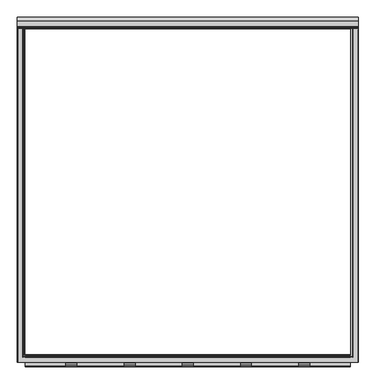
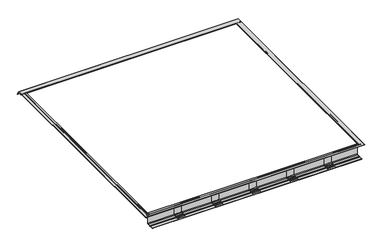
"""IFC4 building model written with IfcOpenShell, lengths in millimetres: fastener geometry."""

from ifc_helpers import new_model, si_unit, point, frame, frame_2d, origin, place, context, project, spatial, polyline, circle_curve, ellipse_curve, trimmed, segment, composite_curve, outline, extrude, source, transform, mapped, element, save
from ifc_brep_helpers import plane_surface, cylinder_surface, revolved_surface, advanced_brep


def fastener_39294c76(model_context):
    return source(origin(), model_context, "Body", "SolidModel", [
        extrude(outline(composite_curve([segment(trimmed(circle_curve(frame_2d((-1145.5700599, -129.2836108)), 7.5509517), [point((-1138.0191082, -129.2836108))], [point((-1145.5700599, -136.8345625))], False, "CARTESIAN"), True, "CONTINUOUS"), segment(polyline([(-1145.5700599, -136.8345625), (-1177.5500422, -136.8345625)]), True, "CONTINUOUS"), segment(trimmed(circle_curve(frame_2d((-1177.2863618, -135.7784961)), 1.0884868), [point((-1177.5500422, -136.8345625))], [point((-1178.0560382, -135.0088197))], False, "CARTESIAN"), True, "CONTINUOUS"), segment(polyline([(-1178.0560382, -135.0088197), (-1176.7465916, -133.6993731)]), True, "CONTINUOUS"), segment(trimmed(circle_curve(frame_2d((-1177.516268, -132.9296966)), 1.0884868), [point((-1176.7465916, -133.6993731))], [point((-1176.911598, -132.0246122))], True, "CARTESIAN"), True, "CONTINUOUS"), segment(polyline([(-1176.911598, -132.0246122), (-1186.4250513, -132.0246122)]), True, "CONTINUOUS"), segment(trimmed(circle_curve(frame_2d((-1185.8203813, -132.9296966)), 1.0884868), [point((-1186.4250513, -132.0246122))], [point((-1186.5900578, -133.6993731))], True, "CARTESIAN"), True, "CONTINUOUS"), segment(polyline([(-1186.5900578, -133.6993731), (-1185.2806111, -135.0088197)]), True, "CONTINUOUS"), segment(trimmed(circle_curve(frame_2d((-1186.0502876, -135.7784961)), 1.0884868), [point((-1185.2806111, -135.0088197))], [point((-1185.7866071, -136.8345625))], False, "CARTESIAN"), True, "CONTINUOUS"), segment(polyline([(-1185.7866071, -136.8345625), (-1219.2, -136.8345625)]), True, "CONTINUOUS"), segment(trimmed(circle_curve(frame_2d((-1211.6858077, -136.1021667)), 7.5498006), [point((-1219.2, -136.8345625))], [point((-1211.6858077, -128.5523661))], False, "CARTESIAN"), True, "CONTINUOUS"), segment(polyline([(-1211.6858077, -128.5523661), (-1195.9627839, -128.5523661)]), True, "CONTINUOUS"), segment(trimmed(circle_curve(frame_2d((-1195.8562589, -124.5759938)), 3.977799), [point((-1195.9627839, -128.5523661))], [point((-1193.0435303, -127.3887224))], True, "CARTESIAN"), True, "CONTINUOUS"), segment(polyline([(-1193.0435303, -127.3887224), (-1190.9210407, -125.2662329)]), True, "CONTINUOUS"), segment(trimmed(circle_curve(frame_2d((-1188.1083121, -128.0789615)), 3.977799), [point((-1190.9210407, -125.2662329))], [point((-1188.0183247, -124.1021806))], False, "CARTESIAN"), True, "CONTINUOUS"), segment(polyline([(-1188.0183247, -124.1021806), (-1175.3183247, -124.1021806)]), True, "CONTINUOUS"), segment(trimmed(circle_curve(frame_2d((-1175.2283372, -128.0789615)), 3.977799), [point((-1175.3183247, -124.1021806))], [point((-1172.4156086, -125.2662329))], False, "CARTESIAN"), True, "CONTINUOUS"), segment(polyline([(-1172.4156086, -125.2662329), (-1170.2931191, -127.3887224)]), True, "CONTINUOUS"), segment(trimmed(circle_curve(frame_2d((-1167.4803904, -124.5759938)), 3.977799), [point((-1170.2931191, -127.3887224))], [point((-1167.3738655, -128.5523661))], True, "CARTESIAN"), True, "CONTINUOUS"), segment(polyline([(-1167.3738655, -128.5523661), (-1150.9842926, -128.5523661)]), True, "CONTINUOUS"), segment(trimmed(circle_curve(frame_2d((-1150.2040874, -122.7697836)), 5.8349791), [point((-1150.9842926, -128.5523661))], [point((-1144.3691082, -122.7697836))], True, "CARTESIAN"), True, "CONTINUOUS"), segment(polyline([(-1144.3691082, -122.7697836), (-1144.3691082, -38.7961108), (-1138.0191082, -38.7961108), (-1138.0191082, -129.2836108)]), True, "CONTINUOUS")], self_intersect=False)), frame((774.7, 0.0, 0.0), z_axis=(1.0, 0.0, 0.0), x_axis=(0.0, 1.0, 0.0)), (0.0, 0.0, 1.0), 76.2),
        extrude(outline(composite_curve([segment(trimmed(circle_curve(frame_2d((-1145.5700599, -129.2836108)), 7.5509517), [point((-1138.0191082, -129.2836108))], [point((-1145.5700599, -136.8345625))], False, "CARTESIAN"), True, "CONTINUOUS"), segment(polyline([(-1145.5700599, -136.8345625), (-1177.5500422, -136.8345625)]), True, "CONTINUOUS"), segment(trimmed(circle_curve(frame_2d((-1177.2863618, -135.7784961)), 1.0884868), [point((-1177.5500422, -136.8345625))], [point((-1178.0560382, -135.0088197))], False, "CARTESIAN"), True, "CONTINUOUS"), segment(polyline([(-1178.0560382, -135.0088197), (-1176.7465916, -133.6993731)]), True, "CONTINUOUS"), segment(trimmed(circle_curve(frame_2d((-1177.516268, -132.9296966)), 1.0884868), [point((-1176.7465916, -133.6993731))], [point((-1176.911598, -132.0246122))], True, "CARTESIAN"), True, "CONTINUOUS"), segment(polyline([(-1176.911598, -132.0246122), (-1186.4250513, -132.0246122)]), True, "CONTINUOUS"), segment(trimmed(circle_curve(frame_2d((-1185.8203813, -132.9296966)), 1.0884868), [point((-1186.4250513, -132.0246122))], [point((-1186.5900578, -133.6993731))], True, "CARTESIAN"), True, "CONTINUOUS"), segment(polyline([(-1186.5900578, -133.6993731), (-1185.2806111, -135.0088197)]), True, "CONTINUOUS"), segment(trimmed(circle_curve(frame_2d((-1186.0502876, -135.7784961)), 1.0884868), [point((-1185.2806111, -135.0088197))], [point((-1185.7866071, -136.8345625))], False, "CARTESIAN"), True, "CONTINUOUS"), segment(polyline([(-1185.7866071, -136.8345625), (-1219.2, -136.8345625)]), True, "CONTINUOUS"), segment(trimmed(circle_curve(frame_2d((-1211.6858077, -136.1021667)), 7.5498006), [point((-1219.2, -136.8345625))], [point((-1211.6858077, -128.5523661))], False, "CARTESIAN"), True, "CONTINUOUS"), segment(polyline([(-1211.6858077, -128.5523661), (-1195.9627839, -128.5523661)]), True, "CONTINUOUS"), segment(trimmed(circle_curve(frame_2d((-1195.8562589, -124.5759938)), 3.977799), [point((-1195.9627839, -128.5523661))], [point((-1193.0435303, -127.3887224))], True, "CARTESIAN"), True, "CONTINUOUS"), segment(polyline([(-1193.0435303, -127.3887224), (-1190.9210407, -125.2662329)]), True, "CONTINUOUS"), segment(trimmed(circle_curve(frame_2d((-1188.1083121, -128.0789615)), 3.977799), [point((-1190.9210407, -125.2662329))], [point((-1188.0183247, -124.1021806))], False, "CARTESIAN"), True, "CONTINUOUS"), segment(polyline([(-1188.0183247, -124.1021806), (-1175.3183247, -124.1021806)]), True, "CONTINUOUS"), segment(trimmed(circle_curve(frame_2d((-1175.2283372, -128.0789615)), 3.977799), [point((-1175.3183247, -124.1021806))], [point((-1172.4156086, -125.2662329))], False, "CARTESIAN"), True, "CONTINUOUS"), segment(polyline([(-1172.4156086, -125.2662329), (-1170.2931191, -127.3887224)]), True, "CONTINUOUS"), segment(trimmed(circle_curve(frame_2d((-1167.4803904, -124.5759938)), 3.977799), [point((-1170.2931191, -127.3887224))], [point((-1167.3738655, -128.5523661))], True, "CARTESIAN"), True, "CONTINUOUS"), segment(polyline([(-1167.3738655, -128.5523661), (-1150.9842926, -128.5523661)]), True, "CONTINUOUS"), segment(trimmed(circle_curve(frame_2d((-1150.2040874, -122.7697836)), 5.8349791), [point((-1150.9842926, -128.5523661))], [point((-1144.3691082, -122.7697836))], True, "CARTESIAN"), True, "CONTINUOUS"), segment(polyline([(-1144.3691082, -122.7697836), (-1144.3691082, -38.7961108), (-1138.0191082, -38.7961108), (-1138.0191082, -129.2836108)]), True, "CONTINUOUS")], self_intersect=False)), frame((-850.9, 0.0, 0.0), z_axis=(1.0, 0.0, 0.0), x_axis=(0.0, 1.0, 0.0)), (0.0, 0.0, 1.0), 76.2),
        extrude(outline(composite_curve([segment(trimmed(circle_curve(frame_2d((-1145.5700599, -129.2836108)), 7.5509517), [point((-1138.0191082, -129.2836108))], [point((-1145.5700599, -136.8345625))], False, "CARTESIAN"), True, "CONTINUOUS"), segment(polyline([(-1145.5700599, -136.8345625), (-1177.5500422, -136.8345625)]), True, "CONTINUOUS"), segment(trimmed(circle_curve(frame_2d((-1177.2863618, -135.7784961)), 1.0884868), [point((-1177.5500422, -136.8345625))], [point((-1178.0560382, -135.0088197))], False, "CARTESIAN"), True, "CONTINUOUS"), segment(polyline([(-1178.0560382, -135.0088197), (-1176.7465916, -133.6993731)]), True, "CONTINUOUS"), segment(trimmed(circle_curve(frame_2d((-1177.516268, -132.9296966)), 1.0884868), [point((-1176.7465916, -133.6993731))], [point((-1176.911598, -132.0246122))], True, "CARTESIAN"), True, "CONTINUOUS"), segment(polyline([(-1176.911598, -132.0246122), (-1186.4250513, -132.0246122)]), True, "CONTINUOUS"), segment(trimmed(circle_curve(frame_2d((-1185.8203813, -132.9296966)), 1.0884868), [point((-1186.4250513, -132.0246122))], [point((-1186.5900578, -133.6993731))], True, "CARTESIAN"), True, "CONTINUOUS"), segment(polyline([(-1186.5900578, -133.6993731), (-1185.2806111, -135.0088197)]), True, "CONTINUOUS"), segment(trimmed(circle_curve(frame_2d((-1186.0502876, -135.7784961)), 1.0884868), [point((-1185.2806111, -135.0088197))], [point((-1185.7866071, -136.8345625))], False, "CARTESIAN"), True, "CONTINUOUS"), segment(polyline([(-1185.7866071, -136.8345625), (-1219.2, -136.8345625)]), True, "CONTINUOUS"), segment(trimmed(circle_curve(frame_2d((-1211.6858077, -136.1021667)), 7.5498006), [point((-1219.2, -136.8345625))], [point((-1211.6858077, -128.5523661))], False, "CARTESIAN"), True, "CONTINUOUS"), segment(polyline([(-1211.6858077, -128.5523661), (-1195.9627839, -128.5523661)]), True, "CONTINUOUS"), segment(trimmed(circle_curve(frame_2d((-1195.8562589, -124.5759938)), 3.977799), [point((-1195.9627839, -128.5523661))], [point((-1193.0435303, -127.3887224))], True, "CARTESIAN"), True, "CONTINUOUS"), segment(polyline([(-1193.0435303, -127.3887224), (-1190.9210407, -125.2662329)]), True, "CONTINUOUS"), segment(trimmed(circle_curve(frame_2d((-1188.1083121, -128.0789615)), 3.977799), [point((-1190.9210407, -125.2662329))], [point((-1188.0183247, -124.1021806))], False, "CARTESIAN"), True, "CONTINUOUS"), segment(polyline([(-1188.0183247, -124.1021806), (-1175.3183247, -124.1021806)]), True, "CONTINUOUS"), segment(trimmed(circle_curve(frame_2d((-1175.2283372, -128.0789615)), 3.977799), [point((-1175.3183247, -124.1021806))], [point((-1172.4156086, -125.2662329))], False, "CARTESIAN"), True, "CONTINUOUS"), segment(polyline([(-1172.4156086, -125.2662329), (-1170.2931191, -127.3887224)]), True, "CONTINUOUS"), segment(trimmed(circle_curve(frame_2d((-1167.4803904, -124.5759938)), 3.977799), [point((-1170.2931191, -127.3887224))], [point((-1167.3738655, -128.5523661))], True, "CARTESIAN"), True, "CONTINUOUS"), segment(polyline([(-1167.3738655, -128.5523661), (-1150.9842926, -128.5523661)]), True, "CONTINUOUS"), segment(trimmed(circle_curve(frame_2d((-1150.2040874, -122.7697836)), 5.8349791), [point((-1150.9842926, -128.5523661))], [point((-1144.3691082, -122.7697836))], True, "CARTESIAN"), True, "CONTINUOUS"), segment(polyline([(-1144.3691082, -122.7697836), (-1144.3691082, -38.7961108), (-1138.0191082, -38.7961108), (-1138.0191082, -129.2836108)]), True, "CONTINUOUS")], self_intersect=False)), frame((-444.5, 0.0, 0.0), z_axis=(1.0, 0.0, 0.0), x_axis=(0.0, 1.0, 0.0)), (0.0, 0.0, 1.0), 76.2),
        extrude(outline(composite_curve([segment(trimmed(circle_curve(frame_2d((-1145.5700599, -129.2836108)), 7.5509517), [point((-1138.0191082, -129.2836108))], [point((-1145.5700599, -136.8345625))], False, "CARTESIAN"), True, "CONTINUOUS"), segment(polyline([(-1145.5700599, -136.8345625), (-1177.5500422, -136.8345625)]), True, "CONTINUOUS"), segment(trimmed(circle_curve(frame_2d((-1177.2863618, -135.7784961)), 1.0884868), [point((-1177.5500422, -136.8345625))], [point((-1178.0560382, -135.0088197))], False, "CARTESIAN"), True, "CONTINUOUS"), segment(polyline([(-1178.0560382, -135.0088197), (-1176.7465916, -133.6993731)]), True, "CONTINUOUS"), segment(trimmed(circle_curve(frame_2d((-1177.516268, -132.9296966)), 1.0884868), [point((-1176.7465916, -133.6993731))], [point((-1176.911598, -132.0246122))], True, "CARTESIAN"), True, "CONTINUOUS"), segment(polyline([(-1176.911598, -132.0246122), (-1186.4250513, -132.0246122)]), True, "CONTINUOUS"), segment(trimmed(circle_curve(frame_2d((-1185.8203813, -132.9296966)), 1.0884868), [point((-1186.4250513, -132.0246122))], [point((-1186.5900578, -133.6993731))], True, "CARTESIAN"), True, "CONTINUOUS"), segment(polyline([(-1186.5900578, -133.6993731), (-1185.2806111, -135.0088197)]), True, "CONTINUOUS"), segment(trimmed(circle_curve(frame_2d((-1186.0502876, -135.7784961)), 1.0884868), [point((-1185.2806111, -135.0088197))], [point((-1185.7866071, -136.8345625))], False, "CARTESIAN"), True, "CONTINUOUS"), segment(polyline([(-1185.7866071, -136.8345625), (-1219.2, -136.8345625)]), True, "CONTINUOUS"), segment(trimmed(circle_curve(frame_2d((-1211.6858077, -136.1021667)), 7.5498006), [point((-1219.2, -136.8345625))], [point((-1211.6858077, -128.5523661))], False, "CARTESIAN"), True, "CONTINUOUS"), segment(polyline([(-1211.6858077, -128.5523661), (-1195.9627839, -128.5523661)]), True, "CONTINUOUS"), segment(trimmed(circle_curve(frame_2d((-1195.8562589, -124.5759938)), 3.977799), [point((-1195.9627839, -128.5523661))], [point((-1193.0435303, -127.3887224))], True, "CARTESIAN"), True, "CONTINUOUS"), segment(polyline([(-1193.0435303, -127.3887224), (-1190.9210407, -125.2662329)]), True, "CONTINUOUS"), segment(trimmed(circle_curve(frame_2d((-1188.1083121, -128.0789615)), 3.977799), [point((-1190.9210407, -125.2662329))], [point((-1188.0183247, -124.1021806))], False, "CARTESIAN"), True, "CONTINUOUS"), segment(polyline([(-1188.0183247, -124.1021806), (-1175.3183247, -124.1021806)]), True, "CONTINUOUS"), segment(trimmed(circle_curve(frame_2d((-1175.2283372, -128.0789615)), 3.977799), [point((-1175.3183247, -124.1021806))], [point((-1172.4156086, -125.2662329))], False, "CARTESIAN"), True, "CONTINUOUS"), segment(polyline([(-1172.4156086, -125.2662329), (-1170.2931191, -127.3887224)]), True, "CONTINUOUS"), segment(trimmed(circle_curve(frame_2d((-1167.4803904, -124.5759938)), 3.977799), [point((-1170.2931191, -127.3887224))], [point((-1167.3738655, -128.5523661))], True, "CARTESIAN"), True, "CONTINUOUS"), segment(polyline([(-1167.3738655, -128.5523661), (-1150.9842926, -128.5523661)]), True, "CONTINUOUS"), segment(trimmed(circle_curve(frame_2d((-1150.2040874, -122.7697836)), 5.8349791), [point((-1150.9842926, -128.5523661))], [point((-1144.3691082, -122.7697836))], True, "CARTESIAN"), True, "CONTINUOUS"), segment(polyline([(-1144.3691082, -122.7697836), (-1144.3691082, -38.7961108), (-1138.0191082, -38.7961108), (-1138.0191082, -129.2836108)]), True, "CONTINUOUS")], self_intersect=False)), frame((368.3, 0.0, 0.0), z_axis=(1.0, 0.0, 0.0), x_axis=(0.0, 1.0, 0.0)), (0.0, 0.0, 1.0), 76.2),
        extrude(outline(composite_curve([segment(trimmed(circle_curve(frame_2d((-1145.5700599, -129.2836108)), 7.5509517), [point((-1138.0191082, -129.2836108))], [point((-1145.5700599, -136.8345625))], False, "CARTESIAN"), True, "CONTINUOUS"), segment(polyline([(-1145.5700599, -136.8345625), (-1177.5500422, -136.8345625)]), True, "CONTINUOUS"), segment(trimmed(circle_curve(frame_2d((-1177.2863618, -135.7784961)), 1.0884868), [point((-1177.5500422, -136.8345625))], [point((-1178.0560382, -135.0088197))], False, "CARTESIAN"), True, "CONTINUOUS"), segment(polyline([(-1178.0560382, -135.0088197), (-1176.7465916, -133.6993731)]), True, "CONTINUOUS"), segment(trimmed(circle_curve(frame_2d((-1177.516268, -132.9296966)), 1.0884868), [point((-1176.7465916, -133.6993731))], [point((-1176.911598, -132.0246122))], True, "CARTESIAN"), True, "CONTINUOUS"), segment(polyline([(-1176.911598, -132.0246122), (-1186.4250513, -132.0246122)]), True, "CONTINUOUS"), segment(trimmed(circle_curve(frame_2d((-1185.8203813, -132.9296966)), 1.0884868), [point((-1186.4250513, -132.0246122))], [point((-1186.5900578, -133.6993731))], True, "CARTESIAN"), True, "CONTINUOUS"), segment(polyline([(-1186.5900578, -133.6993731), (-1185.2806111, -135.0088197)]), True, "CONTINUOUS"), segment(trimmed(circle_curve(frame_2d((-1186.0502876, -135.7784961)), 1.0884868), [point((-1185.2806111, -135.0088197))], [point((-1185.7866071, -136.8345625))], False, "CARTESIAN"), True, "CONTINUOUS"), segment(polyline([(-1185.7866071, -136.8345625), (-1219.2, -136.8345625)]), True, "CONTINUOUS"), segment(trimmed(circle_curve(frame_2d((-1211.6858077, -136.1021667)), 7.5498006), [point((-1219.2, -136.8345625))], [point((-1211.6858077, -128.5523661))], False, "CARTESIAN"), True, "CONTINUOUS"), segment(polyline([(-1211.6858077, -128.5523661), (-1195.9627839, -128.5523661)]), True, "CONTINUOUS"), segment(trimmed(circle_curve(frame_2d((-1195.8562589, -124.5759938)), 3.977799), [point((-1195.9627839, -128.5523661))], [point((-1193.0435303, -127.3887224))], True, "CARTESIAN"), True, "CONTINUOUS"), segment(polyline([(-1193.0435303, -127.3887224), (-1190.9210407, -125.2662329)]), True, "CONTINUOUS"), segment(trimmed(circle_curve(frame_2d((-1188.1083121, -128.0789615)), 3.977799), [point((-1190.9210407, -125.2662329))], [point((-1188.0183247, -124.1021806))], False, "CARTESIAN"), True, "CONTINUOUS"), segment(polyline([(-1188.0183247, -124.1021806), (-1175.3183247, -124.1021806)]), True, "CONTINUOUS"), segment(trimmed(circle_curve(frame_2d((-1175.2283372, -128.0789615)), 3.977799), [point((-1175.3183247, -124.1021806))], [point((-1172.4156086, -125.2662329))], False, "CARTESIAN"), True, "CONTINUOUS"), segment(polyline([(-1172.4156086, -125.2662329), (-1170.2931191, -127.3887224)]), True, "CONTINUOUS"), segment(trimmed(circle_curve(frame_2d((-1167.4803904, -124.5759938)), 3.977799), [point((-1170.2931191, -127.3887224))], [point((-1167.3738655, -128.5523661))], True, "CARTESIAN"), True, "CONTINUOUS"), segment(polyline([(-1167.3738655, -128.5523661), (-1150.9842926, -128.5523661)]), True, "CONTINUOUS"), segment(trimmed(circle_curve(frame_2d((-1150.2040874, -122.7697836)), 5.8349791), [point((-1150.9842926, -128.5523661))], [point((-1144.3691082, -122.7697836))], True, "CARTESIAN"), True, "CONTINUOUS"), segment(polyline([(-1144.3691082, -122.7697836), (-1144.3691082, -38.7961108), (-1138.0191082, -38.7961108), (-1138.0191082, -129.2836108)]), True, "CONTINUOUS")], self_intersect=False)), frame((-38.1, 0.0, 0.0), z_axis=(1.0, 0.0, 0.0), x_axis=(0.0, 1.0, 0.0)), (0.0, 0.0, 1.0), 76.2),
        extrude(outline(composite_curve([segment(polyline([(-1135.3165, -15.1804688), (-1135.3165, -139.5015625), (-1217.8665, -139.5015625)]), True, "CONTINUOUS"), segment(trimmed(circle_curve(frame_2d((-1217.8665, -138.1680625)), 1.3335), [point((-1217.8665, -139.5015625))], [point((-1217.8665, -136.8345625))], False, "CARTESIAN"), True, "CONTINUOUS"), segment(polyline([(-1217.8665, -136.8345625), (-1185.7509989, -136.8345625)]), True, "CONTINUOUS"), segment(trimmed(circle_curve(frame_2d((-1186.0146793, -135.7784961)), 1.0884868), [point((-1185.7509989, -136.8345625))], [point((-1185.2450029, -135.0088197))], True, "CARTESIAN"), True, "CONTINUOUS"), segment(polyline([(-1185.2450029, -135.0088197), (-1186.5544495, -133.6993731)]), True, "CONTINUOUS"), segment(trimmed(circle_curve(frame_2d((-1185.7847731, -132.9296966)), 1.0884868), [point((-1186.5544495, -133.6993731))], [point((-1186.389443, -132.0246122))], False, "CARTESIAN"), True, "CONTINUOUS"), segment(polyline([(-1186.389443, -132.0246122), (-1176.8759898, -132.0246122)]), True, "CONTINUOUS"), segment(trimmed(circle_curve(frame_2d((-1177.4806597, -132.9296966)), 1.0884868), [point((-1176.8759898, -132.0246122))], [point((-1176.7109833, -133.6993731))], False, "CARTESIAN"), True, "CONTINUOUS"), segment(polyline([(-1176.7109833, -133.6993731), (-1178.0204299, -135.0088197)]), True, "CONTINUOUS"), segment(trimmed(circle_curve(frame_2d((-1177.2507535, -135.7784961)), 1.0884868), [point((-1178.0204299, -135.0088197))], [point((-1177.5144339, -136.8345625))], True, "CARTESIAN"), True, "CONTINUOUS"), segment(polyline([(-1177.5144339, -136.8345625), (-1145.5344517, -136.8345625)]), True, "CONTINUOUS"), segment(trimmed(circle_curve(frame_2d((-1145.5344517, -129.2836108)), 7.5509517), [point((-1145.5344517, -136.8345625))], [point((-1137.9835, -129.2836108))], True, "CARTESIAN"), True, "CONTINUOUS"), segment(polyline([(-1137.9835, -129.2836108), (-1137.9835, -21.87801), (-1156.2117258, -21.87801), (-1156.2117258, -15.1804688), (-1152.1178999, -15.1804688)]), True, "CONTINUOUS"), segment(trimmed(circle_curve(frame_2d((-1152.8274757, -16.2725079)), 1.3023238), [point((-1152.1178999, -15.1804688))], [point((-1151.9131963, -17.1999455))], False, "CARTESIAN"), True, "CONTINUOUS"), segment(polyline([(-1151.9131963, -17.1999455), (-1152.9649499, -18.2679836)]), True, "CONTINUOUS"), segment(trimmed(circle_curve(frame_2d((-1152.5091166, -18.6293281)), 0.5816819), [point((-1152.9649499, -18.2679836))], [point((-1152.5091166, -19.21101))], True, "CARTESIAN"), True, "CONTINUOUS"), segment(polyline([(-1152.5091166, -19.21101), (-1140.8594568, -19.21101)]), True, "CONTINUOUS"), segment(trimmed(circle_curve(frame_2d((-1140.8594568, -18.6130003)), 0.5980097), [point((-1140.8594568, -19.21101))], [point((-1140.3710112, -18.2679836))], True, "CARTESIAN"), True, "CONTINUOUS"), segment(polyline([(-1140.3710112, -18.2679836), (-1141.460117, -17.1999455)]), True, "CONTINUOUS"), segment(trimmed(circle_curve(frame_2d((-1140.5022273, -16.284676)), 1.3248664), [point((-1141.460117, -17.1999455))], [point((-1141.2343456, -15.1804688))], False, "CARTESIAN"), True, "CONTINUOUS"), segment(polyline([(-1141.2343456, -15.1804688), (-1135.3165, -15.1804688)]), True, "CONTINUOUS")], self_intersect=False)), frame((-1135.3165, 0.0, 0.0), z_axis=(1.0, 0.0, 0.0), x_axis=(0.0, 1.0, 0.0)), (0.0, 0.0, 1.0), 2270.633),
        advanced_brep(
        [(-1189.1053092, 1141.2343456, -15.1685625), (-1189.1053092, 1135.3165, -15.1685625), (-1189.1053092, 1135.3165, -13.8350625), (-1189.1053092, 1135.3165, -12.5015625), (-1189.1053092, 1190.6451024, -12.5015625), (-1189.1053092, 1217.7515464, -59.4513008), (-1189.1053092, 1215.4418567, -60.7848008), (-1189.1053092, 1189.1053092, -15.1685625), (-1189.1053092, 1161.8308783, -15.1685625), (-1189.1053092, 1159.573508, -17.4259327), (-1189.1053092, 1159.573508, -26.7633474), (-1189.1053092, 1149.6719492, -26.7633474), (-1189.1053092, 1149.6719492, -24.7662067), (-1189.1053092, 1150.5032605, -24.7662067), (-1189.1053092, 1151.5117177, -23.7577495), (-1189.1053092, 1151.5117177, -21.8661038), (-1189.1053092, 1156.2117258, -21.8661038), (-1189.1053092, 1156.2117258, -15.1685625), (-1189.1053092, 1152.1178999, -15.1685625), (-1189.1053092, 1151.9131963, -17.2095918), (-1189.1053092, 1152.9812344, -18.2776299), (-1189.1053092, 1152.5091166, -19.1991038), (-1189.1053092, 1140.8431289, -19.1991038), (-1189.1053092, 1140.3710112, -18.2776299), (-1189.1053092, 1141.4390493, -17.2095918), (1189.1053092, 1141.2343456, -15.1685625), (1189.1053092, 1141.4390493, -17.2095918), (1189.1053092, 1140.3710112, -18.2776299), (1189.1053092, 1140.8431289, -19.1991038), (1189.1053092, 1152.5091166, -19.1991038), (1189.1053092, 1152.9812344, -18.2776299), (1189.1053092, 1151.9131963, -17.2095918), (1189.1053092, 1152.1178999, -15.1685625), (1189.1053092, 1156.2117258, -15.1685625), (1189.1053092, 1156.2117258, -21.8661038), (1189.1053092, 1151.5117177, -21.8661038), (1189.1053092, 1151.5117177, -23.7577495), (1189.1053092, 1150.5032605, -24.7662067), (1189.1053092, 1149.6719492, -24.7662067), (1189.1053092, 1149.6719492, -26.7633474), (1189.1053092, 1159.573508, -26.7633474), (1189.1053092, 1159.573508, -17.4259327), (1189.1053092, 1161.8308783, -15.1685625), (1189.1053092, 1189.1053092, -15.1685625), (1189.1053092, 1215.4418567, -60.7848008), (1189.1053092, 1217.7515464, -59.4513008), (1189.1053092, 1190.6451024, -12.5015625), (1189.1053092, 1135.3165, -12.5015625), (1189.1053092, 1135.3165, -13.8350625), (1189.1053092, 1135.3165, -15.1685625), (1187.7718092, 1135.3165, -15.1685625), (1187.7718092, -1187.7718092, -15.1685625), (-1187.7718092, -1187.7718092, -15.1685625), (-1187.7718092, 1135.3165, -15.1685625), (1135.3165, 1135.3165, -15.1685625), (-1135.3165, 1135.3165, -15.1685625), (-1135.3165, -1135.3165, -15.1685625), (1135.3165, -1135.3165, -15.1685625), (-1141.2160631, 1135.3165, -15.1685625), (-1152.1361825, 1135.3165, -15.1685625), (-1152.1361825, -1152.1361825, -15.1685625), (1152.1361825, -1152.1361825, -15.1685625), (1152.1361825, 1135.3165, -15.1685625), (1141.2160631, 1135.3165, -15.1685625), (1141.2160631, -1141.2160631, -15.1685625), (-1141.2160631, -1141.2160631, -15.1685625), (-1156.2117258, 1135.3165, -15.1685625), (-1161.8308783, 1135.3165, -15.1685625), (-1161.8308783, -1161.8308783, -15.1685625), (1161.8308783, -1161.8308783, -15.1685625), (1161.8308783, 1135.3165, -15.1685625), (1156.2117258, 1135.3165, -15.1685625), (1156.2117258, -1156.2117258, -15.1685625), (-1156.2117258, -1156.2117258, -15.1685625), (-1187.7718092, 1135.3165, -12.5015625), (1187.7718092, 1135.3165, -12.5015625), (1135.3165, 1135.3165, -12.5015625), (-1135.3165, 1135.3165, -12.5015625), (-1187.7718092, -1187.7718092, -12.5015625), (1187.7718092, -1187.7718092, -12.5015625), (1135.3165, -1135.3165, -12.5015625), (-1135.3165, -1135.3165, -12.5015625), (-1141.4390493, 1135.3165, -17.221498), (-1140.3710112, 1135.3165, -18.2895361), (-1140.8431289, 1135.3165, -19.21101), (-1152.5091166, 1135.3165, -19.21101), (-1152.9812344, 1135.3165, -18.2895361), (-1151.9131963, 1135.3165, -17.221498), (-1156.2117258, 1135.3165, -21.87801), (-1151.5117177, 1135.3165, -21.87801), (-1151.5117177, 1135.3165, -23.7696558), (-1150.5032605, 1135.3165, -24.7781129), (-1149.6719492, 1135.3165, -24.7781129), (-1149.6719492, 1135.3165, -26.7633474), (-1159.573508, 1135.3165, -26.7633474), (-1159.573508, 1135.3165, -17.4259327), (-1141.4390493, -1141.4390493, -17.221498), (-1140.3710112, -1140.3710112, -18.2895361), (-1140.8431289, -1140.8431289, -19.21101), (1140.8431289, -1140.8431289, -19.21101), (1140.8431289, 1135.3165, -19.21101), (1152.5091166, 1135.3165, -19.21101), (1152.5091166, -1152.5091166, -19.21101), (-1152.5091166, -1152.5091166, -19.21101), (-1152.9812344, -1152.9812344, -18.2895361), (-1151.9131963, -1151.9131963, -17.221498), (-1156.2117258, -1156.2117258, -21.87801), (1156.2117258, -1156.2117258, -21.87801), (1156.2117258, 1135.3165, -21.87801), (1151.5117177, 1135.3165, -21.87801), (1151.5117177, -1151.5117177, -21.87801), (-1151.5117177, -1151.5117177, -21.87801), (-1151.5117177, -1151.5117177, -23.7696558), (-1150.5032605, -1150.5032605, -24.7781129), (1150.5032605, -1150.5032605, -24.7781129), (1150.5032605, 1135.3165, -24.7781129), (1149.6719492, 1135.3165, -24.7781129), (1149.6719492, -1149.6719492, -24.7781129), (-1149.6719492, -1149.6719492, -24.7781129), (-1149.6719492, -1149.6719492, -26.7633474), (1149.6719492, -1149.6719492, -26.7633474), (1149.6719492, 1135.3165, -26.7633474), (1159.573508, 1135.3165, -26.7633474), (1159.573508, -1159.573508, -26.7633474), (-1159.573508, -1159.573508, -26.7633474), (-1159.573508, -1159.573508, -17.4259327), (1141.4390493, -1141.4390493, -17.221498), (1140.3710112, -1140.3710112, -18.2895361), (1152.9812344, -1152.9812344, -18.2895361), (1151.9131963, -1151.9131963, -17.221498), (1151.5117177, -1151.5117177, -23.7696558), (1159.573508, -1159.573508, -17.4259327), (1140.3710112, 1135.3165, -18.2895361), (1141.4390493, 1135.3165, -17.221498), (1151.9131963, 1135.3165, -17.221498), (1152.9812344, 1135.3165, -18.2895361), (1159.573508, 1135.3165, -17.4259327), (1151.5117177, 1135.3165, -23.7696558)],
        [
            (0, 1),
            (1, 2),
            (2, 3),
            (3, 4),
            (4, 5),
            (5, 6),
            (6, 7),
            (7, 8),
            (8, 9, circle_curve(frame((-1189.1053092, 1161.8308783, -17.4259327), z_axis=(1.0, 0.0, 0.0), x_axis=(0.0, 1.0, 0.0)), 2.2573702)),
            (9, 10),
            (10, 11),
            (11, 12, circle_curve(frame((-1189.1053092, 1149.6719492, -25.764777), z_axis=(-1.0, 0.0, 0.0), x_axis=(0.0, 1.0, 0.0)), 0.9985703)),
            (12, 13),
            (13, 14, circle_curve(frame((-1189.1053092, 1150.5032605, -23.7577495), z_axis=(1.0, 0.0, 0.0), x_axis=(0.0, 1.0, 0.0)), 1.0084572)),
            (14, 15),
            (15, 16),
            (16, 17),
            (17, 18),
            (18, 19, circle_curve(frame((-1189.1053092, 1152.8500183, -16.2727698), z_axis=(1.0, 0.0, 0.0), x_axis=(0.0, 1.0, 0.0)), 1.3248664)),
            (19, 20),
            (20, 21, circle_curve(frame((-1189.1053092, 1152.5091166, -18.6174219), z_axis=(-1.0, 0.0, 0.0), x_axis=(0.0, 1.0, 0.0)), 0.5816819)),
            (21, 22),
            (22, 23, circle_curve(frame((-1189.1053092, 1140.8431289, -18.6174219), z_axis=(-1.0, 0.0, 0.0), x_axis=(0.0, 1.0, 0.0)), 0.5816819)),
            (23, 24),
            (24, 0, circle_curve(frame((-1189.1053092, 1140.5022273, -16.2727698), z_axis=(1.0, 0.0, 0.0), x_axis=(0.0, 1.0, 0.0)), 1.3248664)),
            (25, 26, circle_curve(frame((1189.1053092, 1140.5022273, -16.2727698), z_axis=(-1.0, 0.0, 0.0), x_axis=(0.0, 1.0, 0.0)), 1.3248664)),
            (26, 27),
            (27, 28, circle_curve(frame((1189.1053092, 1140.8431289, -18.6174219), z_axis=(1.0, 0.0, 0.0), x_axis=(0.0, 1.0, 0.0)), 0.5816819)),
            (28, 29),
            (29, 30, circle_curve(frame((1189.1053092, 1152.5091166, -18.6174219), z_axis=(1.0, 0.0, 0.0), x_axis=(0.0, 1.0, 0.0)), 0.5816819)),
            (30, 31),
            (31, 32, circle_curve(frame((1189.1053092, 1152.8500183, -16.2727698), z_axis=(-1.0, 0.0, 0.0), x_axis=(0.0, 1.0, 0.0)), 1.3248664)),
            (32, 33),
            (33, 34),
            (34, 35),
            (35, 36),
            (36, 37, circle_curve(frame((1189.1053092, 1150.5032605, -23.7577495), z_axis=(-1.0, 0.0, 0.0), x_axis=(0.0, 1.0, 0.0)), 1.0084572)),
            (37, 38),
            (38, 39, circle_curve(frame((1189.1053092, 1149.6719492, -25.764777), z_axis=(1.0, 0.0, 0.0), x_axis=(0.0, 1.0, 0.0)), 0.9985703)),
            (39, 40),
            (40, 41),
            (41, 42, circle_curve(frame((1189.1053092, 1161.8308783, -17.4259327), z_axis=(-1.0, 0.0, 0.0), x_axis=(0.0, 1.0, 0.0)), 2.2573702)),
            (42, 43),
            (43, 44),
            (44, 45),
            (45, 46),
            (46, 47),
            (47, 48),
            (48, 49),
            (49, 25),
            (0, 25),
            (49, 50),
            (50, 51),
            (51, 52),
            (52, 53),
            (53, 1),
            (54, 55),
            (55, 56),
            (56, 57),
            (57, 54),
            (58, 59),
            (59, 60),
            (60, 61),
            (61, 62),
            (62, 63),
            (63, 64),
            (64, 65),
            (65, 58),
            (66, 67),
            (67, 68),
            (68, 69),
            (69, 70),
            (70, 71),
            (71, 72),
            (72, 73),
            (73, 66),
            (53, 2, circle_curve(frame((-1187.7718092, 1135.3165, -13.8350625), z_axis=(0.0, 1.0, 0.0), x_axis=(1.0, 0.0, 0.0)), 1.3335)),
            (2, 74, circle_curve(frame((-1187.7718092, 1135.3165, -13.8350625), z_axis=(0.0, 1.0, 0.0), x_axis=(1.0, 0.0, 0.0)), 1.3335)),
            (74, 3),
            (47, 75),
            (75, 48, circle_curve(frame((1187.7718092, 1135.3165, -13.8350625), z_axis=(0.0, 1.0, 0.0), x_axis=(-1.0, 0.0, 0.0)), 1.3335)),
            (48, 50, circle_curve(frame((1187.7718092, 1135.3165, -13.8350625), z_axis=(0.0, 1.0, 0.0), x_axis=(-1.0, 0.0, 0.0)), 1.3335)),
            (54, 76),
            (76, 77),
            (77, 55),
            (74, 78),
            (78, 79),
            (79, 75),
            (46, 4),
            (76, 80),
            (80, 81),
            (81, 77),
            (45, 5),
            (44, 6),
            (43, 7),
            (42, 8),
            (41, 9),
            (40, 10),
            (39, 11),
            (38, 12),
            (37, 13),
            (36, 14),
            (35, 15),
            (34, 16),
            (33, 17),
            (32, 18),
            (19, 31),
            (30, 20),
            (29, 21),
            (28, 22),
            (27, 23),
            (26, 24),
            (58, 82, circle_curve(frame((-1140.5022273, 1135.3165, -16.284676), z_axis=(0.0, -1.0, 0.0), x_axis=(1.0, 0.0, 0.0)), 1.3248664)),
            (82, 83),
            (83, 84, circle_curve(frame((-1140.8431289, 1135.3165, -18.6293281), z_axis=(0.0, 1.0, 0.0), x_axis=(1.0, 0.0, 0.0)), 0.5816819)),
            (84, 85),
            (85, 86, circle_curve(frame((-1152.5091166, 1135.3165, -18.6293281), z_axis=(0.0, 1.0, 0.0), x_axis=(1.0, 0.0, 0.0)), 0.5816819)),
            (86, 87),
            (87, 59, circle_curve(frame((-1152.8500183, 1135.3165, -16.284676), z_axis=(0.0, -1.0, 0.0), x_axis=(1.0, 0.0, 0.0)), 1.3248664)),
            (66, 88),
            (88, 89),
            (89, 90),
            (90, 91, circle_curve(frame((-1150.5032605, 1135.3165, -23.7696558), z_axis=(0.0, -1.0, 0.0), x_axis=(1.0, 0.0, 0.0)), 1.0084572)),
            (91, 92),
            (92, 93, circle_curve(frame((-1149.6719492, 1135.3165, -25.7707301), z_axis=(0.0, 1.0, 0.0), x_axis=(1.0, 0.0, 0.0)), 0.9926172)),
            (93, 94),
            (94, 95),
            (95, 67, circle_curve(frame((-1161.8308783, 1135.3165, -17.4259327), z_axis=(0.0, -1.0, 0.0), x_axis=(1.0, 0.0, 0.0)), 2.2573702)),
            (65, 96, ellipse_curve(frame((-1140.5022273, -1140.5022273, -16.284676), z_axis=(0.7071067811865475, -0.7071067811865475, 0.0), x_axis=(-0.7071067811865474, -0.7071067811865476, 0.0)), 1.873644, 1.3248664)),
            (96, 82),
            (96, 97),
            (97, 83),
            (97, 98, ellipse_curve(frame((-1140.8431289, -1140.8431289, -18.6293281), z_axis=(-0.7071067811865475, 0.7071067811865475, 0.0), x_axis=(0.7071067811865474, 0.7071067811865476, 0.0)), 0.8226224, 0.5816819)),
            (98, 84),
            (98, 99),
            (99, 100),
            (100, 101),
            (101, 102),
            (102, 103),
            (103, 85),
            (103, 104, ellipse_curve(frame((-1152.5091166, -1152.5091166, -18.6293281), z_axis=(-0.7071067811865475, 0.7071067811865475, 0.0), x_axis=(0.7071067811865474, 0.7071067811865476, 0.0)), 0.8226224, 0.5816819)),
            (104, 86),
            (104, 105),
            (105, 87),
            (105, 60, ellipse_curve(frame((-1152.8500183, -1152.8500183, -16.284676), z_axis=(0.7071067811865475, -0.7071067811865475, 0.0), x_axis=(-0.7071067811865474, -0.7071067811865476, 0.0)), 1.873644, 1.3248664)),
            (73, 106),
            (106, 88),
            (106, 107),
            (107, 108),
            (108, 109),
            (109, 110),
            (110, 111),
            (111, 89),
            (111, 112),
            (112, 90),
            (112, 113, ellipse_curve(frame((-1150.5032605, -1150.5032605, -23.7696558), z_axis=(0.7071067811865475, -0.7071067811865475, 0.0), x_axis=(-0.7071067811865474, -0.7071067811865476, 0.0)), 1.4261738, 1.0084572)),
            (113, 91),
            (113, 114),
            (114, 115),
            (115, 116),
            (116, 117),
            (117, 118),
            (118, 92),
            (118, 119, ellipse_curve(frame((-1149.6719492, -1149.6719492, -25.7707301), z_axis=(-0.7071067811865475, 0.7071067811865475, 0.0), x_axis=(0.7071067811865474, 0.7071067811865476, 0.0)), 1.4037727, 0.9926172)),
            (119, 93),
            (119, 120),
            (120, 121),
            (121, 122),
            (122, 123),
            (123, 124),
            (124, 94),
            (124, 125),
            (125, 95),
            (125, 68, ellipse_curve(frame((-1161.8308783, -1161.8308783, -17.4259327), z_axis=(0.7071067811865475, -0.7071067811865475, 0.0), x_axis=(-0.7071067811865474, -0.7071067811865476, 0.0)), 3.1924036, 2.2573702)),
            (52, 78, ellipse_curve(frame((-1187.7718092, -1187.7718092, -13.8350625), z_axis=(-0.7071067811865475, 0.7071067811865475, 0.0), x_axis=(0.7071067811865474, 0.7071067811865476, 0.0)), 1.8858538, 1.3335)),
            (81, 56),
            (64, 126, ellipse_curve(frame((1140.5022273, -1140.5022273, -16.284676), z_axis=(0.7071067811865475, 0.7071067811865475, 0.0), x_axis=(0.7071067811865476, -0.7071067811865474, 0.0)), 1.873644, 1.3248664)),
            (126, 96),
            (126, 127),
            (127, 97),
            (127, 99, ellipse_curve(frame((1140.8431289, -1140.8431289, -18.6293281), z_axis=(-0.7071067811865475, -0.7071067811865475, 0.0), x_axis=(-0.7071067811865476, 0.7071067811865474, 0.0)), 0.8226224, 0.5816819)),
            (102, 128, ellipse_curve(frame((1152.5091166, -1152.5091166, -18.6293281), z_axis=(-0.7071067811865475, -0.7071067811865475, 0.0), x_axis=(-0.7071067811865476, 0.7071067811865474, 0.0)), 0.8226224, 0.5816819)),
            (128, 104),
            (128, 129),
            (129, 105),
            (129, 61, ellipse_curve(frame((1152.8500183, -1152.8500183, -16.284676), z_axis=(0.7071067811865475, 0.7071067811865475, 0.0), x_axis=(0.7071067811865476, -0.7071067811865474, 0.0)), 1.873644, 1.3248664)),
            (72, 107),
            (110, 130),
            (130, 112),
            (130, 114, ellipse_curve(frame((1150.5032605, -1150.5032605, -23.7696558), z_axis=(0.7071067811865475, 0.7071067811865475, 0.0), x_axis=(0.7071067811865476, -0.7071067811865474, 0.0)), 1.4261738, 1.0084572)),
            (117, 120, ellipse_curve(frame((1149.6719492, -1149.6719492, -25.7707301), z_axis=(-0.7071067811865475, -0.7071067811865475, 0.0), x_axis=(-0.7071067811865476, 0.7071067811865474, 0.0)), 1.4037727, 0.9926172)),
            (123, 131),
            (131, 125),
            (131, 69, ellipse_curve(frame((1161.8308783, -1161.8308783, -17.4259327), z_axis=(0.7071067811865475, 0.7071067811865475, 0.0), x_axis=(0.7071067811865476, -0.7071067811865474, 0.0)), 3.1924036, 2.2573702)),
            (51, 79, ellipse_curve(frame((1187.7718092, -1187.7718092, -13.8350625), z_axis=(-0.7071067811865475, -0.7071067811865475, 0.0), x_axis=(-0.7071067811865476, 0.7071067811865474, 0.0)), 1.8858538, 1.3335)),
            (80, 57),
            (100, 132, circle_curve(frame((1140.8431289, 1135.3165, -18.6293281), z_axis=(0.0, 1.0, 0.0), x_axis=(-1.0, 0.0, 0.0)), 0.5816819)),
            (132, 133),
            (133, 63, circle_curve(frame((1140.5022273, 1135.3165, -16.284676), z_axis=(0.0, -1.0, 0.0), x_axis=(-1.0, 0.0, 0.0)), 1.3248664)),
            (62, 134, circle_curve(frame((1152.8500183, 1135.3165, -16.284676), z_axis=(0.0, -1.0, 0.0), x_axis=(-1.0, 0.0, 0.0)), 1.3248664)),
            (134, 135),
            (135, 101, circle_curve(frame((1152.5091166, 1135.3165, -18.6293281), z_axis=(0.0, 1.0, 0.0), x_axis=(-1.0, 0.0, 0.0)), 0.5816819)),
            (108, 71),
            (70, 136, circle_curve(frame((1161.8308783, 1135.3165, -17.4259327), z_axis=(0.0, -1.0, 0.0), x_axis=(-1.0, 0.0, 0.0)), 2.2573702)),
            (136, 122),
            (121, 116, circle_curve(frame((1149.6719492, 1135.3165, -25.7707301), z_axis=(0.0, 1.0, 0.0), x_axis=(-1.0, 0.0, 0.0)), 0.9926172)),
            (115, 137, circle_curve(frame((1150.5032605, 1135.3165, -23.7696558), z_axis=(0.0, -1.0, 0.0), x_axis=(-1.0, 0.0, 0.0)), 1.0084572)),
            (137, 109),
            (133, 126),
            (132, 127),
            (135, 128),
            (134, 129),
            (137, 130),
            (136, 131),
        ],
        [
            plane_surface(frame((-1189.1053092, 1219.2, 0.0), z_axis=(-1.0, 0.0, 0.0), x_axis=(0.0, 0.0, 1.0))),
            plane_surface(frame((1189.1053092, 1219.2, 0.0), z_axis=(1.0, 0.0, 0.0), x_axis=(0.0, 0.0, 1.0))),
            plane_surface(frame((-1189.1053092, 1141.2343456, -15.1685625), z_axis=(0.0, 0.0, -1.0), x_axis=(1.0, 0.0, 0.0))),
            plane_surface(frame((-1189.1053092, 1135.3165, -15.1685625), z_axis=(0.0, -1.0, 0.0), x_axis=(1.0, 0.0, 0.0))),
            plane_surface(frame((-1189.1053092, 1135.3165, -12.5015625), z_axis=(0.0, 0.0, 1.0), x_axis=(1.0, 0.0, 0.0))),
            plane_surface(frame((-1189.1053092, 1190.6451024, -12.5015625), z_axis=(0.0, 0.8660254037844348, 0.5000000000000067), x_axis=(1.0, 0.0, 0.0))),
            plane_surface(frame((-1189.1053092, 1217.7515464, -59.4513008), z_axis=(0.0, 0.4999999999999756, -0.8660254037844528), x_axis=(1.0, 0.0, 0.0))),
            plane_surface(frame((-1189.1053092, 1215.4418567, -60.7848008), z_axis=(0.0, -0.8660254037844309, -0.5000000000000133), x_axis=(1.0, 0.0, 0.0))),
            plane_surface(frame((-1189.1053092, 1189.1053092, -15.1685625), z_axis=(0.0, 0.0, -1.0), x_axis=(1.0, 0.0, 0.0))),
            revolved_surface(polyline([(1189.1053092, 1164.0882485, -17.4259327), (-1189.1053092, 1164.0882485, -17.4259327)]), (-1189.1053092, 1161.8308783, -17.4259327), (1.0, 0.0, 0.0)),
            plane_surface(frame((-1189.1053092, 1159.573508, -17.4259327), z_axis=(0.0, 1.0, 0.0), x_axis=(1.0, 0.0, 0.0))),
            plane_surface(frame((-1189.1053092, 1159.573508, -26.7633474), z_axis=(0.0, 0.0, -1.0), x_axis=(1.0, 0.0, 0.0))),
            cylinder_surface(frame((-1189.1053092, 1149.6719492, -25.764777), z_axis=(-1.0, 0.0, 0.0), x_axis=(0.0, 1.0, 0.0)), 0.9985703),
            plane_surface(frame((-1189.1053092, 1149.6719492, -24.7662067), z_axis=(0.0, 0.0, 1.0), x_axis=(1.0, 0.0, 0.0))),
            revolved_surface(polyline([(1189.1053092, 1151.5117177, -23.7577495), (-1189.1053092, 1151.5117177, -23.7577495)]), (-1189.1053092, 1150.5032605, -23.7577495), (1.0, 0.0, 0.0)),
            plane_surface(frame((-1189.1053092, 1151.5117177, -23.7577495), z_axis=(0.0, -1.0, 0.0), x_axis=(1.0, 0.0, 0.0))),
            plane_surface(frame((-1189.1053092, 1151.5117177, -21.8661038), z_axis=(0.0, 0.0, 1.0), x_axis=(1.0, 0.0, 0.0))),
            plane_surface(frame((-1189.1053092, 1156.2117258, -21.8661038), z_axis=(0.0, -1.0, 0.0), x_axis=(1.0, 0.0, 0.0))),
            plane_surface(frame((-1189.1053092, 1156.2117258, -15.1685625), z_axis=(0.0, 0.0, -1.0), x_axis=(1.0, 0.0, 0.0))),
            plane_surface(frame((-1189.1053092, 1151.9131963, -17.2095918), z_axis=(0.0, 0.7071067811859371, 0.7071067811871581), x_axis=(1.0, 0.0, 0.0))),
            cylinder_surface(frame((-1189.1053092, 1152.5091166, -18.6174219), z_axis=(-1.0, 0.0, 0.0), x_axis=(0.0, 1.0, 0.0)), 0.5816819),
            plane_surface(frame((-1189.1053092, 1152.5091166, -19.1991038), z_axis=(0.0, 0.0, -1.0), x_axis=(1.0, 0.0, 0.0))),
            cylinder_surface(frame((-1189.1053092, 1140.8431289, -18.6174219), z_axis=(-1.0, 0.0, 0.0), x_axis=(0.0, 1.0, 0.0)), 0.5816819),
            plane_surface(frame((-1189.1053092, 1140.3710112, -18.2776299), z_axis=(0.0, -0.7071067811859483, 0.7071067811871469), x_axis=(1.0, 0.0, 0.0))),
            revolved_surface(polyline([(1189.1053092, 1154.1748847000001, -16.2727698), (-1189.1053092, 1154.1748847000001, -16.2727698)]), (-1189.1053092, 1152.8500183, -16.2727698), (1.0, 0.0, 0.0)),
            revolved_surface(polyline([(1189.1053092, 1141.8270937, -16.2727698), (-1189.1053092, 1141.8270937, -16.2727698)]), (-1189.1053092, 1140.5022273, -16.2727698), (1.0, 0.0, 0.0)),
            plane_surface(frame((-1219.2, 1135.3165, 0.0), z_axis=(0.0, 1.0, 0.0), x_axis=(0.0, 0.0, 1.0))),
            revolved_surface(polyline([(-1139.1773609, -1141.8270936779295, -16.284676), (-1139.1773609, 1135.3165, -16.284676)]), (-1140.5022273, 1135.3165, -16.284676), (0.0, -1.0, 0.0)),
            plane_surface(frame((-1141.4390493, 1135.3165, -17.221498), z_axis=(0.707106781187242, 0.0, 0.707106781185853), x_axis=(0.0, -1.0, 0.0))),
            cylinder_surface(frame((-1140.8431289, 1135.3165, -18.6293281), z_axis=(0.0, 1.0, 0.0), x_axis=(1.0, 0.0, 0.0)), 0.5816819),
            plane_surface(frame((-1140.8431289, 1135.3165, -19.21101), z_axis=(0.0, 0.0, -1.0), x_axis=(0.0, -1.0, 0.0))),
            cylinder_surface(frame((-1152.5091166, 1135.3165, -18.6293281), z_axis=(0.0, 1.0, 0.0), x_axis=(1.0, 0.0, 0.0)), 0.5816819),
            plane_surface(frame((-1152.9812344, 1135.3165, -18.2895361), z_axis=(-0.7071067811877909, 0.0, 0.7071067811853041), x_axis=(0.0, -1.0, 0.0))),
            revolved_surface(polyline([(-1151.5251519, -1154.1748846779296, -16.284676), (-1151.5251519, 1135.3165, -16.284676)]), (-1152.8500183, 1135.3165, -16.284676), (0.0, -1.0, 0.0)),
            plane_surface(frame((-1156.2117258, 1135.3165, -15.1685625), z_axis=(1.0, 0.0, 0.0), x_axis=(0.0, -1.0, 0.0))),
            plane_surface(frame((-1156.2117258, 1135.3165, -21.87801), z_axis=(0.0, 0.0, 1.0), x_axis=(0.0, -1.0, 0.0))),
            plane_surface(frame((-1151.5117177, 1135.3165, -21.87801), z_axis=(1.0, 0.0, 0.0), x_axis=(0.0, -1.0, 0.0))),
            revolved_surface(polyline([(-1149.4948032999998, -1151.5117177000002, -23.7696558), (-1149.4948032999998, 1135.3165, -23.7696558)]), (-1150.5032605, 1135.3165, -23.7696558), (0.0, -1.0, 0.0)),
            plane_surface(frame((-1150.5032605, 1135.3165, -24.7781129), z_axis=(0.0, 0.0, 1.0), x_axis=(0.0, -1.0, 0.0))),
            cylinder_surface(frame((-1149.6719492, 1135.3165, -25.7707301), z_axis=(0.0, 1.0, 0.0), x_axis=(1.0, 0.0, 0.0)), 0.9926172),
            plane_surface(frame((-1149.6719492, 1135.3165, -26.7633474), z_axis=(0.0, 0.0, -1.0), x_axis=(0.0, -1.0, 0.0))),
            plane_surface(frame((-1159.573508, 1135.3165, -26.7633474), z_axis=(-1.0, 0.0, 0.0), x_axis=(0.0, -1.0, 0.0))),
            revolved_surface(polyline([(-1159.5735081, -1164.0882485338448, -17.4259327), (-1159.5735081, 1135.3165, -17.4259327)]), (-1161.8308783, 1135.3165, -17.4259327), (0.0, -1.0, 0.0)),
            cylinder_surface(frame((-1187.7718092, 1135.3165, -13.8350625), z_axis=(0.0, 1.0, 0.0), x_axis=(1.0, 0.0, 0.0)), 1.3335),
            plane_surface(frame((-1135.3165, 1135.3165, -12.5015625), z_axis=(1.0, 0.0, 0.0), x_axis=(0.0, -1.0, 0.0))),
            revolved_surface(polyline([(1141.8270936779297, -1139.1773609, -16.284676), (-1141.8270936779295, -1139.1773609, -16.284676)]), (-1219.2, -1140.5022273, -16.284676), (1.0, 0.0, 0.0)),
            plane_surface(frame((-1141.4390493, -1141.4390493, -17.221498), z_axis=(0.0, 0.707106781187242, 0.707106781185853), x_axis=(1.0, 0.0, 0.0))),
            cylinder_surface(frame((-1219.2, -1140.8431289, -18.6293281), z_axis=(-1.0, 0.0, 0.0), x_axis=(0.0, 1.0, 0.0)), 0.5816819),
            cylinder_surface(frame((-1219.2, -1152.5091166, -18.6293281), z_axis=(-1.0, 0.0, 0.0), x_axis=(0.0, 1.0, 0.0)), 0.5816819),
            plane_surface(frame((-1152.9812344, -1152.9812344, -18.2895361), z_axis=(0.0, -0.7071067811877909, 0.7071067811853041), x_axis=(1.0, 0.0, 0.0))),
            revolved_surface(polyline([(1154.1748846779299, -1151.5251519, -16.284676), (-1154.1748846779296, -1151.5251519, -16.284676)]), (-1219.2, -1152.8500183, -16.284676), (1.0, 0.0, 0.0)),
            plane_surface(frame((-1156.2117258, -1156.2117258, -15.1685625), z_axis=(0.0, 1.0, 0.0), x_axis=(1.0, 0.0, 0.0))),
            plane_surface(frame((-1151.5117177, -1151.5117177, -21.87801), z_axis=(0.0, 1.0, 0.0), x_axis=(1.0, 0.0, 0.0))),
            revolved_surface(polyline([(1151.5117177, -1149.4948032999998, -23.7696558), (-1151.5117177, -1149.4948032999998, -23.7696558)]), (-1219.2, -1150.5032605, -23.7696558), (1.0, 0.0, 0.0)),
            cylinder_surface(frame((-1219.2, -1149.6719492, -25.7707301), z_axis=(-1.0, 0.0, 0.0), x_axis=(0.0, 1.0, 0.0)), 0.9926172),
            plane_surface(frame((-1159.573508, -1159.573508, -26.7633474), z_axis=(0.0, -1.0, 0.0), x_axis=(1.0, 0.0, 0.0))),
            revolved_surface(polyline([(1164.0882485338445, -1159.5735081, -17.4259327), (-1164.0882485338443, -1159.5735081, -17.4259327)]), (-1219.2, -1161.8308783, -17.4259327), (1.0, 0.0, 0.0)),
            cylinder_surface(frame((-1219.2, -1187.7718092, -13.8350625), z_axis=(-1.0, 0.0, 0.0), x_axis=(0.0, 1.0, 0.0)), 1.3335),
            plane_surface(frame((-1135.3165, -1135.3165, -12.5015625), z_axis=(0.0, 1.0, 0.0), x_axis=(1.0, 0.0, 0.0))),
            plane_surface(frame((1219.2, 1135.3165, 0.0), z_axis=(0.0, 1.0, 0.0), x_axis=(0.0, 0.0, 1.0))),
            revolved_surface(polyline([(1139.1773609, 1135.3164999999997, -16.284676), (1139.1773609, -1141.8270936779295, -16.284676)]), (1140.5022273, -1219.2, -16.284676), (0.0, 1.0, 0.0)),
            plane_surface(frame((1141.4390493, -1141.4390493, -17.221498), z_axis=(-0.707106781187242, 0.0, 0.707106781185853), x_axis=(0.0, 1.0, 0.0))),
            cylinder_surface(frame((1140.8431289, -1219.2, -18.6293281), z_axis=(0.0, -1.0, 0.0), x_axis=(-1.0, 0.0, 0.0)), 0.5816819),
            cylinder_surface(frame((1152.5091166, -1219.2, -18.6293281), z_axis=(0.0, -1.0, 0.0), x_axis=(-1.0, 0.0, 0.0)), 0.5816819),
            plane_surface(frame((1152.9812344, -1152.9812344, -18.2895361), z_axis=(0.7071067811877909, 0.0, 0.7071067811853041), x_axis=(0.0, 1.0, 0.0))),
            revolved_surface(polyline([(1151.5251519, 1135.3164999999997, -16.284676), (1151.5251519, -1154.1748846779296, -16.284676)]), (1152.8500183, -1219.2, -16.284676), (0.0, 1.0, 0.0)),
            plane_surface(frame((1156.2117258, -1156.2117258, -15.1685625), z_axis=(-1.0, 0.0, 0.0), x_axis=(0.0, 1.0, 0.0))),
            plane_surface(frame((1151.5117177, -1151.5117177, -21.87801), z_axis=(-1.0, 0.0, 0.0), x_axis=(0.0, 1.0, 0.0))),
            revolved_surface(polyline([(1149.4948032999998, 1135.3164999999997, -23.7696558), (1149.4948032999998, -1151.5117177, -23.7696558)]), (1150.5032605, -1219.2, -23.7696558), (0.0, 1.0, 0.0)),
            cylinder_surface(frame((1149.6719492, -1219.2, -25.7707301), z_axis=(0.0, -1.0, 0.0), x_axis=(-1.0, 0.0, 0.0)), 0.9926172),
            plane_surface(frame((1159.573508, -1159.573508, -26.7633474), z_axis=(1.0, 0.0, 0.0), x_axis=(0.0, 1.0, 0.0))),
            revolved_surface(polyline([(1159.5735081, 1135.3164999999997, -17.4259327), (1159.5735081, -1164.0882485338443, -17.4259327)]), (1161.8308783, -1219.2, -17.4259327), (0.0, 1.0, 0.0)),
            cylinder_surface(frame((1187.7718092, -1219.2, -13.8350625), z_axis=(0.0, -1.0, 0.0), x_axis=(-1.0, 0.0, 0.0)), 1.3335),
            plane_surface(frame((1135.3165, -1135.3165, -12.5015625), z_axis=(-1.0, 0.0, 0.0), x_axis=(0.0, 1.0, 0.0))),
        ],
        [
            (0, [[1, 2, 3, 4, 5, 6, 7, 8, 9, 10, 11, 12, 13, 14, 15, 16, 17, 18, 19, 20, 21, 22, 23, 24, 25]]),
            (1, [[26, 27, 28, 29, 30, 31, 32, 33, 34, 35, 36, 37, 38, 39, 40, 41, 42, 43, 44, 45, 46, 47, 48, 49, 50]]),
            (2, [[-1, 51, -50, 52, 53, 54, 55, 56], [57, 58, 59, 60], [61, 62, 63, 64, 65, 66, 67, 68], [69, 70, 71, 72, 73, 74, 75, 76]]),
            (3, [[-2, -56, 77]]),
            (3, [[-3, 78, 79]]),
            (3, [[-48, 80, 81]]),
            (3, [[-49, 82, -52]]),
            (3, [[-57, 83, 84, 85]]),
            (4, [[-4, -79, 86, 87, 88, -80, -47, 89], [-84, 90, 91, 92]]),
            (5, [[-5, -89, -46, 93]]),
            (6, [[-6, -93, -45, 94]]),
            (7, [[-7, -94, -44, 95]]),
            (8, [[-8, -95, -43, 96]]),
            (9, [[-9, -96, -42, 97]]),
            (10, [[-10, -97, -41, 98]]),
            (11, [[-11, -98, -40, 99]]),
            (12, [[-12, -99, -39, 100]]),
            (13, [[-13, -100, -38, 101]]),
            (14, [[-14, -101, -37, 102]]),
            (15, [[-15, -102, -36, 103]]),
            (16, [[-16, -103, -35, 104]]),
            (17, [[-17, -104, -34, 105]]),
            (18, [[-18, -105, -33, 106]]),
            (19, [[-20, 107, -31, 108]]),
            (20, [[-21, -108, -30, 109]]),
            (21, [[-22, -109, -29, 110]]),
            (22, [[-23, -110, -28, 111]]),
            (23, [[-24, -111, -27, 112]]),
            (24, [[-19, -106, -32, -107]]),
            (25, [[-25, -112, -26, -51]]),
            (26, [[113, 114, 115, 116, 117, 118, 119, -61]]),
            (26, [[120, 121, 122, 123, 124, 125, 126, 127, 128, -69]]),
            (27, [[-113, -68, 129, 130]]),
            (28, [[-114, -130, 131, 132]]),
            (29, [[-115, -132, 133, 134]]),
            (30, [[-116, -134, 135, 136, 137, 138, 139, 140]]),
            (31, [[-117, -140, 141, 142]]),
            (32, [[-118, -142, 143, 144]]),
            (33, [[-119, -144, 145, -62]]),
            (34, [[-120, -76, 146, 147]]),
            (35, [[-121, -147, 148, 149, 150, 151, 152, 153]]),
            (36, [[-122, -153, 154, 155]]),
            (37, [[-123, -155, 156, 157]]),
            (38, [[-124, -157, 158, 159, 160, 161, 162, 163]]),
            (39, [[-125, -163, 164, 165]]),
            (40, [[-126, -165, 166, 167, 168, 169, 170, 171]]),
            (41, [[-127, -171, 172, 173]]),
            (42, [[-128, -173, 174, -70]]),
            (43, [[-55, 175, -86, -78, -77]]),
            (44, [[-92, 176, -58, -85]]),
            (45, [[-129, -67, 177, 178]]),
            (46, [[-131, -178, 179, 180]]),
            (47, [[-133, -180, 181, -135]]),
            (48, [[-139, 182, 183, -141]]),
            (49, [[-143, -183, 184, 185]]),
            (50, [[-145, -185, 186, -63]]),
            (51, [[-75, 187, -148, -146]]),
            (52, [[-152, 188, 189, -154]]),
            (53, [[-156, -189, 190, -158]]),
            (54, [[-162, 191, -166, -164]]),
            (55, [[-170, 192, 193, -172]]),
            (56, [[-174, -193, 194, -71]]),
            (57, [[-54, 195, -87, -175]]),
            (58, [[-91, 196, -59, -176]]),
            (59, [[-137, 197, 198, 199, -65, 200, 201, 202]]),
            (59, [[-150, 203, -73, 204, 205, -168, 206, -160, 207, 208]]),
            (60, [[-66, -199, 209, -177]]),
            (61, [[-179, -209, -198, 210]]),
            (62, [[-136, -181, -210, -197]]),
            (63, [[-138, -202, 211, -182]]),
            (64, [[-184, -211, -201, 212]]),
            (65, [[-64, -186, -212, -200]]),
            (66, [[-74, -203, -149, -187]]),
            (67, [[-151, -208, 213, -188]]),
            (68, [[-159, -190, -213, -207]]),
            (69, [[-161, -206, -167, -191]]),
            (70, [[-169, -205, 214, -192]]),
            (71, [[-72, -194, -214, -204]]),
            (72, [[-53, -82, -81, -88, -195]]),
            (73, [[-90, -83, -60, -196]]),
        ],
    ),
    ])


if __name__ == "__main__":
    model = new_model("IFC4")
    model_context = context("Model", 3, world=origin())
    ifc_project = project(units=[si_unit("LENGTHUNIT", "METRE", prefix="MILLI")], contexts=[model_context])
    site = spatial("IfcSite", under=ifc_project)
    building = spatial("IfcBuilding", under=site)
    placement = place(None, origin())
    fastener_shape = fastener_39294c76(model_context)
    element("IfcFastener", 1, at=placement, inside=building, context=model_context, shape_type="MappedRepresentation", body=[
        mapped(fastener_shape, transform((0.0, 0.0, 0.0), x_axis=(1.0, 0.0, 0.0), y_axis=(0.0, 1.0, 0.0), z_axis=(0.0, 0.0, 1.0))),
    ])
    save(model, "model.ifc")
